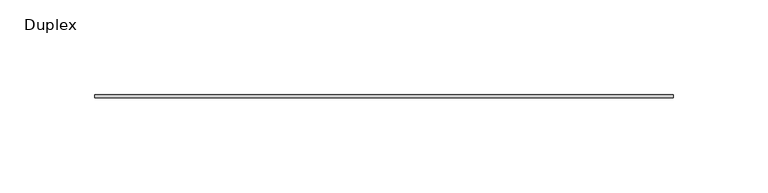
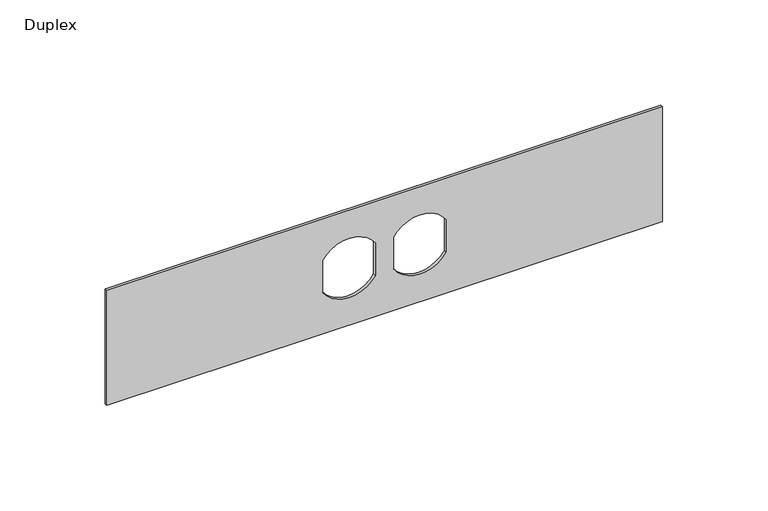
"""IFC4 building model written with IfcOpenShell, lengths in millimetres: furniture geometry, Duplex."""

from ifc_helpers import new_model, si_unit, point, frame, frame_2d, origin, place, context, project, spatial, polyline, circle_curve, trimmed, segment, composite_curve, outline, extrude, source, transform, mapped, element, save


def duplex_ccc727e2(model_context):
    return source(origin(), model_context, "Body", "SweptSolid", [
        extrude(outline(polyline([(1219.2, 171.1377049), (1219.2, -133.6622951), (1152.525, -133.6622951), (1152.525, 171.1377049), (1219.2, 171.1377049)]), holes=[composite_curve([segment(polyline([(1195.1890625, 13.6775487), (1176.5634118, 13.6775487)]), True, "CONTINUOUS"), segment(trimmed(circle_curve(frame_2d((1185.8625, -0.7091701)), 17.1304033), [point((1176.5634118, 13.6775487))], [point((1176.4116767, -14.9966701))], True, "CARTESIAN"), True, "CONTINUOUS"), segment(polyline([(1176.4116767, -14.9966701), (1195.1890625, -14.9966701)]), True, "CONTINUOUS"), segment(trimmed(circle_curve(frame_2d((1185.8136685, -0.6595607)), 17.1304033), [point((1195.1890625, -14.9966701))], [point((1195.1890625, 13.6775487))], True, "CARTESIAN"), True, "CONTINUOUS")], self_intersect=False), composite_curve([segment(trimmed(circle_curve(frame_2d((1185.8625, 38.1845799)), 17.1304033), [point((1195.1615882, 23.7978612))], [point((1195.3133233, 52.4720799))], True, "CARTESIAN"), True, "CONTINUOUS"), segment(polyline([(1195.3133233, 52.4720799), (1176.4116767, 52.4720799)]), True, "CONTINUOUS"), segment(trimmed(circle_curve(frame_2d((1185.8625, 38.1845799)), 17.1304033), [point((1176.4116767, 52.4720799))], [point((1176.5634118, 23.7978612))], True, "CARTESIAN"), True, "CONTINUOUS"), segment(polyline([(1176.5634118, 23.7978612), (1195.1615882, 23.7978612)]), True, "CONTINUOUS")], self_intersect=False)]), frame((0.0, -1.5875, 0.0), z_axis=(0.0, 1.0, 0.0), x_axis=(0.0, 0.0, 1.0)), (0.0, 0.0, 1.0), 1.5875),
    ])


if __name__ == "__main__":
    model = new_model("IFC4")
    model_context = context("Model", 3, world=origin())
    ifc_project = project(units=[si_unit("LENGTHUNIT", "METRE", prefix="MILLI")], contexts=[model_context])
    site = spatial("IfcSite", under=ifc_project)
    building = spatial("IfcBuilding", under=site)
    placement = place(None, origin())
    duplex_shape = duplex_ccc727e2(model_context)
    element("IfcFurniture", 1, ObjectType="Duplex", at=placement, inside=building, context=model_context, shape_type="MappedRepresentation", body=[
        mapped(duplex_shape, transform((0.0, 0.0, 0.0), x_axis=(1.0, 0.0, 0.0), y_axis=(0.0, 1.0, 0.0), z_axis=(0.0, 0.0, 1.0))),
    ])
    save(model, "model.ifc")
